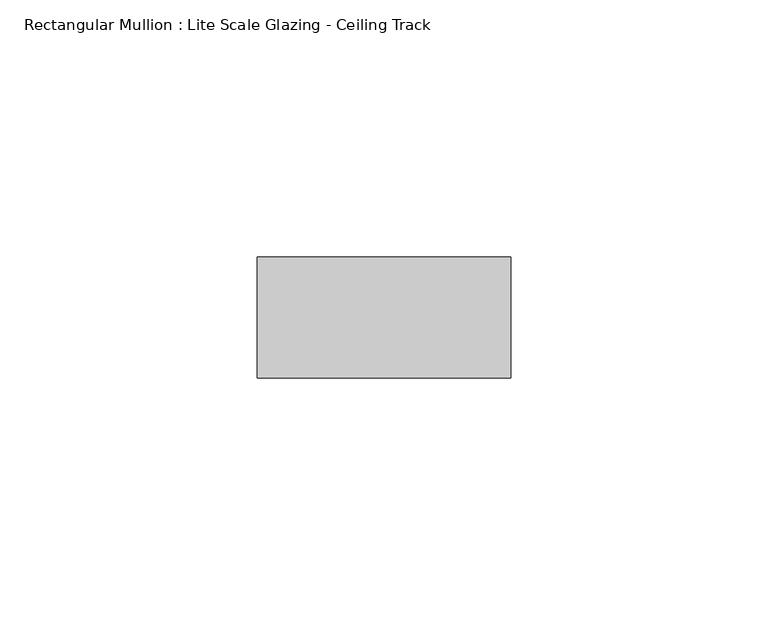
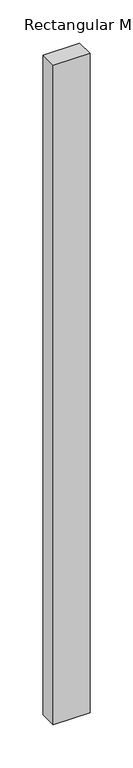
"""IFC4 building model written with IfcOpenShell, lengths in millimetres: member geometry, Rectangular Mullion : Lite Scale Glazing - Ceiling Track."""

import ifcopenshell
import ifcopenshell.guid

model = None  # the IFC model being written
_history = None  # IfcOwnerHistory: only IFC2X3 demands one
_inside = {}  # id of a spatial element -> (the spatial element, [elements in it])
_under = {}  # id of a project, library or spatial element -> (it, [spatial elements below it])
_declared = {}  # id of a project -> (the project, [libraries it declares])
_typed = {}  # id of a type object -> (the type object, [elements of that type])
_made_of = {}  # id of a material, layer set ... -> (it, [elements and type objects made of it])


def new_model(schema):
    """Start an empty IFC model of exactly this schema.

    Asked for "IFC4X3", IfcOpenShell would pick the latest addendum, in which some entities
    have other attributes; the version numbers below select the first issue.
    IFC2X3 requires an IfcOwnerHistory on every rooted entity: one is made here for all.
    """
    global model, _history
    if schema == "IFC4X3":
        model = ifcopenshell.file(schema_version=(4, 3, 0, 0))
    else:
        model = ifcopenshell.file(schema=schema)
    _inside.clear()
    _under.clear()
    _declared.clear()
    _typed.clear()
    _made_of.clear()
    _history = None
    if model.schema == "IFC2X3":
        org = make("IfcOrganization", Name="unknown")
        user = make(
            "IfcPersonAndOrganization",
            ThePerson=make("IfcPerson", FamilyName="unknown"),
            TheOrganization=org,
        )
        app = make(
            "IfcApplication",
            ApplicationDeveloper=org,
            Version="unknown",
            ApplicationFullName="unknown",
            ApplicationIdentifier="unknown",
        )
        _history = make(
            "IfcOwnerHistory",
            OwningUser=user,
            OwningApplication=app,
            ChangeAction="ADDED",
            CreationDate=0,
        )
    return model


def make(cls, **values):
    """One entity of the class cls with the attributes given. An attribute that is None is left unset."""
    return model.create_entity(
        cls, **{name: value for name, value in values.items() if value is not None}
    )


def rooted(cls, **values):
    """An entity with a GlobalId (a new one), such as an element, a storey or a relation."""
    return make(cls, GlobalId=ifcopenshell.guid.new(), OwnerHistory=_history, **values)


def si_unit(unit_type, name, prefix=None):
    """IfcSIUnit, for example si_unit("LENGTHUNIT", "METRE", prefix="MILLI")."""
    return make("IfcSIUnit", UnitType=unit_type, Prefix=prefix, Name=name)


def assignment(units):
    """IfcUnitAssignment: the units of a project."""
    return None if units is None else make("IfcUnitAssignment", Units=units)


def point(xyz):
    """IfcCartesianPoint."""
    return None if xyz is None else make("IfcCartesianPoint", Coordinates=xyz)


def direction(xyz):
    """IfcDirection."""
    return None if xyz is None else make("IfcDirection", DirectionRatios=xyz)


def frame(location, z_axis=None, x_axis=None):
    """IfcAxis2Placement3D, a coordinate frame: its origin and axes. An axis left out is left unset."""
    return make(
        "IfcAxis2Placement3D",
        Location=point(location),
        Axis=direction(z_axis),
        RefDirection=direction(x_axis),
    )


def origin():
    """The frame at (0, 0, 0) with its axes left unset."""
    return frame((0.0, 0.0, 0.0))


def place(relative_to, where):
    """IfcLocalPlacement: puts the frame where relative to a parent placement (None: the world)."""
    return make(
        "IfcLocalPlacement", PlacementRelTo=relative_to, RelativePlacement=where
    )


def context(
    kind, dimensions, precision=None, world=None, true_north=None, identifier=None
):
    """IfcGeometricRepresentationContext, for example the 3D "Model" context."""
    return make(
        "IfcGeometricRepresentationContext",
        ContextIdentifier=identifier,
        ContextType=kind,
        CoordinateSpaceDimension=dimensions,
        Precision=precision,
        WorldCoordinateSystem=world,
        TrueNorth=true_north,
    )


def project(units=None, contexts=None):
    """IfcProject with its units and contexts."""
    return rooted(
        "IfcProject",
        Name="project",
        RepresentationContexts=contexts,
        UnitsInContext=assignment(units),
    )


def spatial(cls, under=None, at=None, **own):
    """A site, building, storey or space (cls), placed at a placement, below another one or the project."""
    s = rooted(cls, ObjectPlacement=at, **own)
    if under is not None:
        _under.setdefault(under.id(), (under, []))[1].append(s)
    return s


def polyline(points):
    """IfcPolyline through the points."""
    return make("IfcPolyline", Points=[point(p) for p in points])


def outline(outer, holes=None, kind="AREA"):
    """IfcArbitraryClosedProfileDef: a profile drawn as a closed curve; with holes, ...WithVoids."""
    if holes is None:
        return make("IfcArbitraryClosedProfileDef", ProfileType=kind, OuterCurve=outer)
    return make(
        "IfcArbitraryProfileDefWithVoids",
        ProfileType=kind,
        OuterCurve=outer,
        InnerCurves=holes,
    )


def extrude(swept, where, along, depth):
    """IfcExtrudedAreaSolid: the profile swept, set in the frame where, extruded along a direction by depth."""
    return make(
        "IfcExtrudedAreaSolid",
        SweptArea=swept,
        Position=where,
        ExtrudedDirection=direction(along),
        Depth=depth,
    )


def shape(context_of_items, identifier, shape_type, items):
    """IfcShapeRepresentation: the items that make up one representation, for example the "Body"."""
    return make(
        "IfcShapeRepresentation",
        ContextOfItems=context_of_items,
        RepresentationIdentifier=identifier,
        RepresentationType=shape_type,
        Items=items,
    )


def source(mapping_origin, context_of_items, identifier, shape_type, items):
    """IfcRepresentationMap: a shape defined once, which mapped items show again and again."""
    return make(
        "IfcRepresentationMap",
        MappingOrigin=mapping_origin,
        MappedRepresentation=shape(context_of_items, identifier, shape_type, items),
    )


def transform(
    local_origin,
    x_axis=None,
    y_axis=None,
    z_axis=None,
    scale=None,
    scale2=None,
    scale3=None,
    uniform=True,
):
    """IfcCartesianTransformationOperator3D, or its non-uniform kind. x_axis, y_axis, z_axis: its Axis1, 2, 3."""
    if uniform:
        return make(
            "IfcCartesianTransformationOperator3D",
            Axis1=direction(x_axis),
            Axis2=direction(y_axis),
            LocalOrigin=point(local_origin),
            Scale=scale,
            Axis3=direction(z_axis),
        )
    return make(
        "IfcCartesianTransformationOperator3DnonUniform",
        Axis1=direction(x_axis),
        Axis2=direction(y_axis),
        LocalOrigin=point(local_origin),
        Scale=scale,
        Axis3=direction(z_axis),
        Scale2=scale2,
        Scale3=scale3,
    )


def mapped(mapping_source, mapping_target):
    """IfcMappedItem: shows the shape of a source again, moved by a transform."""
    return make(
        "IfcMappedItem", MappingSource=mapping_source, MappingTarget=mapping_target
    )


def made_of(thing, what):
    """Note that an element or type object is made of a material, layer set ...; save() writes the relation."""
    if what is not None:
        _made_of.setdefault(what.id(), (what, []))[1].append(thing)
    return thing


def element(
    cls,
    number,
    at=None,
    inside=None,
    cuts=None,
    type_object=None,
    material=None,
    context=None,
    identifier="Body",
    shape_type=None,
    held_by="IfcProductDefinitionShape",
    body=None,
    shapes=None,
    **own,
):
    """One element of the class cls, such as IfcWall. Its Tag is "e" and its number.

    at: its placement. inside: the storey or other place that contains it. cuts: it is an
    opening in that element (IfcRelVoidsElement). A single representation is given by context,
    identifier, shape_type and body (its items); several are given by shapes. held_by: the class
    of the entity that holds the representations. save() writes the other relations.
    """
    e = rooted(cls, Tag="e%d" % number, ObjectPlacement=at, **own)
    if body is not None:
        shapes = [shape(context, identifier, shape_type, body)]
    if shapes is not None:
        e.Representation = make(held_by, Representations=shapes)
    if inside is not None:
        _inside.setdefault(inside.id(), (inside, []))[1].append(e)
    if cuts is not None:
        rooted(
            "IfcRelVoidsElement", RelatingBuildingElement=cuts, RelatedOpeningElement=e
        )
    if type_object is not None:
        _typed.setdefault(type_object.id(), (type_object, []))[1].append(e)
    return made_of(e, material)


def aggregate(whole, parts):
    """IfcRelAggregates: a whole, such as a stair, and the parts it consists of."""
    return rooted("IfcRelAggregates", RelatingObject=whole, RelatedObjects=parts)


def save(model, path):
    """Write the relations noted so far, then the file.

    IfcRelAggregates (storeys below a building ...), IfcRelContainedInSpatialStructure (elements
    in a storey), IfcRelDefinesByType, IfcRelAssociatesMaterial and IfcRelDeclares: one each for
    every whole, place, type object, material and project.
    """
    for whole, parts in _under.values():
        aggregate(whole, parts)
    for where, things in _inside.values():
        rooted(
            "IfcRelContainedInSpatialStructure",
            RelatedElements=things,
            RelatingStructure=where,
        )
    for kind, things in _typed.values():
        rooted("IfcRelDefinesByType", RelatedObjects=things, RelatingType=kind)
    for what, things in _made_of.values():
        rooted("IfcRelAssociatesMaterial", RelatedObjects=things, RelatingMaterial=what)
    for by, libraries in _declared.values():
        rooted("IfcRelDeclares", RelatingContext=by, RelatedDefinitions=libraries)
    model.write(path)


def rectangular_mullion_lite_scale_glazing_ceiling_track_1c845e1c(model_context):
    return source(origin(), model_context, "Body", "SweptSolid", [
        extrude(outline(polyline([(-49.276, -11.7474999), (-49.276, 11.7474999), (0.0, 11.7474999), (0.0, -11.7474999), (-49.276, -11.7474999)])), frame((0.0, 0.0, -933.45), z_axis=(0.0, 0.0, 1.0), x_axis=(1.0, 0.0, 0.0)), (0.0, 0.0, 1.0), 933.45),
    ])


if __name__ == "__main__":
    model = new_model("IFC4")
    model_context = context("Model", 3, world=origin())
    ifc_project = project(units=[si_unit("LENGTHUNIT", "METRE", prefix="MILLI")], contexts=[model_context])
    site = spatial("IfcSite", under=ifc_project)
    building = spatial("IfcBuilding", under=site)
    placement = place(None, origin())
    rectangular_mullion_lite_scale_glazing_ceiling_track_shape = rectangular_mullion_lite_scale_glazing_ceiling_track_1c845e1c(model_context)
    element("IfcMember", 1, ObjectType="Rectangular Mullion : Lite Scale Glazing - Ceiling Track", at=placement, inside=building, context=model_context, shape_type="MappedRepresentation", body=[
        mapped(rectangular_mullion_lite_scale_glazing_ceiling_track_shape, transform((0.0, 0.0, 0.0), x_axis=(1.0, 0.0, 0.0), y_axis=(0.0, 1.0, 0.0), z_axis=(0.0, 0.0, 1.0))),
    ])
    save(model, "model.ifc")
